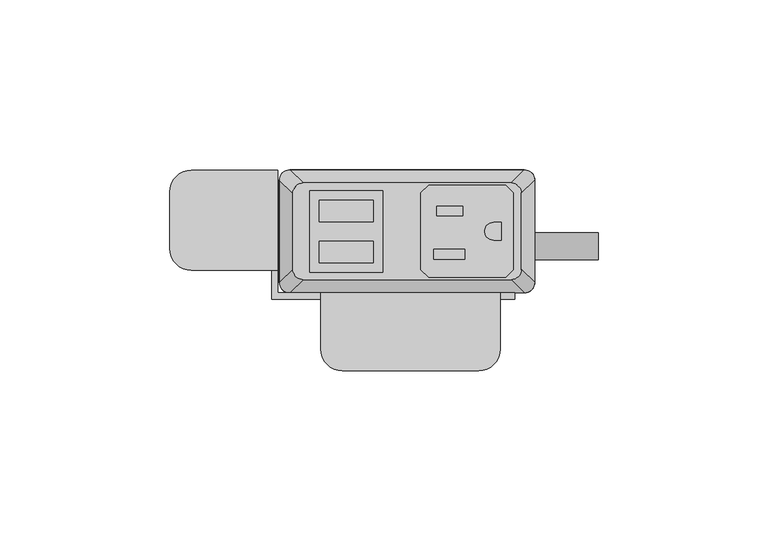
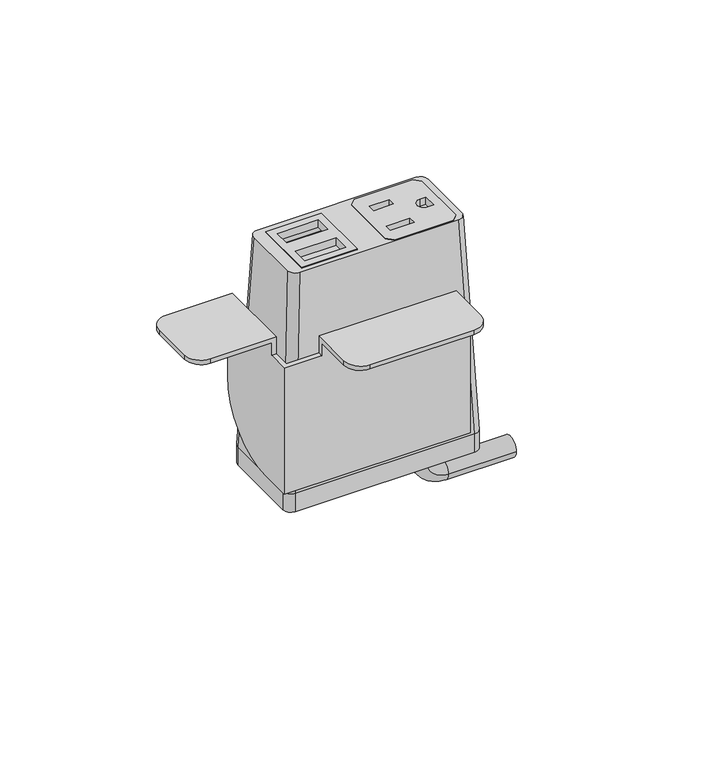
"""IFC4 building model written with IfcOpenShell, lengths in millimetres: furniture geometry."""

import ifcopenshell
import ifcopenshell.guid

model = None  # the IFC model being written
_history = None  # IfcOwnerHistory: only IFC2X3 demands one
_inside = {}  # id of a spatial element -> (the spatial element, [elements in it])
_under = {}  # id of a project, library or spatial element -> (it, [spatial elements below it])
_declared = {}  # id of a project -> (the project, [libraries it declares])
_typed = {}  # id of a type object -> (the type object, [elements of that type])
_made_of = {}  # id of a material, layer set ... -> (it, [elements and type objects made of it])


def new_model(schema):
    """Start an empty IFC model of exactly this schema.

    Asked for "IFC4X3", IfcOpenShell would pick the latest addendum, in which some entities
    have other attributes; the version numbers below select the first issue.
    IFC2X3 requires an IfcOwnerHistory on every rooted entity: one is made here for all.
    """
    global model, _history
    if schema == "IFC4X3":
        model = ifcopenshell.file(schema_version=(4, 3, 0, 0))
    else:
        model = ifcopenshell.file(schema=schema)
    _inside.clear()
    _under.clear()
    _declared.clear()
    _typed.clear()
    _made_of.clear()
    _history = None
    if model.schema == "IFC2X3":
        org = make("IfcOrganization", Name="unknown")
        user = make(
            "IfcPersonAndOrganization",
            ThePerson=make("IfcPerson", FamilyName="unknown"),
            TheOrganization=org,
        )
        app = make(
            "IfcApplication",
            ApplicationDeveloper=org,
            Version="unknown",
            ApplicationFullName="unknown",
            ApplicationIdentifier="unknown",
        )
        _history = make(
            "IfcOwnerHistory",
            OwningUser=user,
            OwningApplication=app,
            ChangeAction="ADDED",
            CreationDate=0,
        )
    return model


def make(cls, **values):
    """One entity of the class cls with the attributes given. An attribute that is None is left unset."""
    return model.create_entity(
        cls, **{name: value for name, value in values.items() if value is not None}
    )


def rooted(cls, **values):
    """An entity with a GlobalId (a new one), such as an element, a storey or a relation."""
    return make(cls, GlobalId=ifcopenshell.guid.new(), OwnerHistory=_history, **values)


def si_unit(unit_type, name, prefix=None):
    """IfcSIUnit, for example si_unit("LENGTHUNIT", "METRE", prefix="MILLI")."""
    return make("IfcSIUnit", UnitType=unit_type, Prefix=prefix, Name=name)


def assignment(units):
    """IfcUnitAssignment: the units of a project."""
    return None if units is None else make("IfcUnitAssignment", Units=units)


def point(xyz):
    """IfcCartesianPoint."""
    return None if xyz is None else make("IfcCartesianPoint", Coordinates=xyz)


def direction(xyz):
    """IfcDirection."""
    return None if xyz is None else make("IfcDirection", DirectionRatios=xyz)


def frame(location, z_axis=None, x_axis=None):
    """IfcAxis2Placement3D, a coordinate frame: its origin and axes. An axis left out is left unset."""
    return make(
        "IfcAxis2Placement3D",
        Location=point(location),
        Axis=direction(z_axis),
        RefDirection=direction(x_axis),
    )


def frame_2d(location, x_axis=None):
    """IfcAxis2Placement2D, a coordinate frame in the plane: its origin and x axis."""
    return make(
        "IfcAxis2Placement2D", Location=point(location), RefDirection=direction(x_axis)
    )


def origin():
    """The frame at (0, 0, 0) with its axes left unset."""
    return frame((0.0, 0.0, 0.0))


def place(relative_to, where):
    """IfcLocalPlacement: puts the frame where relative to a parent placement (None: the world)."""
    return make(
        "IfcLocalPlacement", PlacementRelTo=relative_to, RelativePlacement=where
    )


def context(
    kind, dimensions, precision=None, world=None, true_north=None, identifier=None
):
    """IfcGeometricRepresentationContext, for example the 3D "Model" context."""
    return make(
        "IfcGeometricRepresentationContext",
        ContextIdentifier=identifier,
        ContextType=kind,
        CoordinateSpaceDimension=dimensions,
        Precision=precision,
        WorldCoordinateSystem=world,
        TrueNorth=true_north,
    )


def project(units=None, contexts=None):
    """IfcProject with its units and contexts."""
    return rooted(
        "IfcProject",
        Name="project",
        RepresentationContexts=contexts,
        UnitsInContext=assignment(units),
    )


def spatial(cls, under=None, at=None, **own):
    """A site, building, storey or space (cls), placed at a placement, below another one or the project."""
    s = rooted(cls, ObjectPlacement=at, **own)
    if under is not None:
        _under.setdefault(under.id(), (under, []))[1].append(s)
    return s


def polyline(points):
    """IfcPolyline through the points."""
    return make("IfcPolyline", Points=[point(p) for p in points])


def circle_curve(where, radius):
    """IfcCircle in the frame where."""
    return make("IfcCircle", Position=where, Radius=radius)


def ellipse_curve(where, semi_axis1, semi_axis2):
    """IfcEllipse in the frame where."""
    return make(
        "IfcEllipse", Position=where, SemiAxis1=semi_axis1, SemiAxis2=semi_axis2
    )


def trimmed(basis, trim1, trim2, sense, master):
    """IfcTrimmedCurve: the piece of a basis curve between two trims."""
    return make(
        "IfcTrimmedCurve",
        BasisCurve=basis,
        Trim1=trim1,
        Trim2=trim2,
        SenseAgreement=sense,
        MasterRepresentation=master,
    )


def segment(curve, same_sense, transition):
    """IfcCompositeCurveSegment."""
    return make(
        "IfcCompositeCurveSegment",
        Transition=transition,
        SameSense=same_sense,
        ParentCurve=curve,
    )


def composite_curve(segments, self_intersect=None):
    """IfcCompositeCurve: segments joined end to end."""
    return make("IfcCompositeCurve", Segments=segments, SelfIntersect=self_intersect)


def outline(outer, holes=None, kind="AREA"):
    """IfcArbitraryClosedProfileDef: a profile drawn as a closed curve; with holes, ...WithVoids."""
    if holes is None:
        return make("IfcArbitraryClosedProfileDef", ProfileType=kind, OuterCurve=outer)
    return make(
        "IfcArbitraryProfileDefWithVoids",
        ProfileType=kind,
        OuterCurve=outer,
        InnerCurves=holes,
    )


def extrude(swept, where, along, depth):
    """IfcExtrudedAreaSolid: the profile swept, set in the frame where, extruded along a direction by depth."""
    return make(
        "IfcExtrudedAreaSolid",
        SweptArea=swept,
        Position=where,
        ExtrudedDirection=direction(along),
        Depth=depth,
    )


def shape(context_of_items, identifier, shape_type, items):
    """IfcShapeRepresentation: the items that make up one representation, for example the "Body"."""
    return make(
        "IfcShapeRepresentation",
        ContextOfItems=context_of_items,
        RepresentationIdentifier=identifier,
        RepresentationType=shape_type,
        Items=items,
    )


def source(mapping_origin, context_of_items, identifier, shape_type, items):
    """IfcRepresentationMap: a shape defined once, which mapped items show again and again."""
    return make(
        "IfcRepresentationMap",
        MappingOrigin=mapping_origin,
        MappedRepresentation=shape(context_of_items, identifier, shape_type, items),
    )


def transform(
    local_origin,
    x_axis=None,
    y_axis=None,
    z_axis=None,
    scale=None,
    scale2=None,
    scale3=None,
    uniform=True,
):
    """IfcCartesianTransformationOperator3D, or its non-uniform kind. x_axis, y_axis, z_axis: its Axis1, 2, 3."""
    if uniform:
        return make(
            "IfcCartesianTransformationOperator3D",
            Axis1=direction(x_axis),
            Axis2=direction(y_axis),
            LocalOrigin=point(local_origin),
            Scale=scale,
            Axis3=direction(z_axis),
        )
    return make(
        "IfcCartesianTransformationOperator3DnonUniform",
        Axis1=direction(x_axis),
        Axis2=direction(y_axis),
        LocalOrigin=point(local_origin),
        Scale=scale,
        Axis3=direction(z_axis),
        Scale2=scale2,
        Scale3=scale3,
    )


def mapped(mapping_source, mapping_target):
    """IfcMappedItem: shows the shape of a source again, moved by a transform."""
    return make(
        "IfcMappedItem", MappingSource=mapping_source, MappingTarget=mapping_target
    )


def made_of(thing, what):
    """Note that an element or type object is made of a material, layer set ...; save() writes the relation."""
    if what is not None:
        _made_of.setdefault(what.id(), (what, []))[1].append(thing)
    return thing


def element(
    cls,
    number,
    at=None,
    inside=None,
    cuts=None,
    type_object=None,
    material=None,
    context=None,
    identifier="Body",
    shape_type=None,
    held_by="IfcProductDefinitionShape",
    body=None,
    shapes=None,
    **own,
):
    """One element of the class cls, such as IfcWall. Its Tag is "e" and its number.

    at: its placement. inside: the storey or other place that contains it. cuts: it is an
    opening in that element (IfcRelVoidsElement). A single representation is given by context,
    identifier, shape_type and body (its items); several are given by shapes. held_by: the class
    of the entity that holds the representations. save() writes the other relations.
    """
    e = rooted(cls, Tag="e%d" % number, ObjectPlacement=at, **own)
    if body is not None:
        shapes = [shape(context, identifier, shape_type, body)]
    if shapes is not None:
        e.Representation = make(held_by, Representations=shapes)
    if inside is not None:
        _inside.setdefault(inside.id(), (inside, []))[1].append(e)
    if cuts is not None:
        rooted(
            "IfcRelVoidsElement", RelatingBuildingElement=cuts, RelatedOpeningElement=e
        )
    if type_object is not None:
        _typed.setdefault(type_object.id(), (type_object, []))[1].append(e)
    return made_of(e, material)


def aggregate(whole, parts):
    """IfcRelAggregates: a whole, such as a stair, and the parts it consists of."""
    return rooted("IfcRelAggregates", RelatingObject=whole, RelatedObjects=parts)


def save(model, path):
    """Write the relations noted so far, then the file.

    IfcRelAggregates (storeys below a building ...), IfcRelContainedInSpatialStructure (elements
    in a storey), IfcRelDefinesByType, IfcRelAssociatesMaterial and IfcRelDeclares: one each for
    every whole, place, type object, material and project.
    """
    for whole, parts in _under.values():
        aggregate(whole, parts)
    for where, things in _inside.values():
        rooted(
            "IfcRelContainedInSpatialStructure",
            RelatedElements=things,
            RelatingStructure=where,
        )
    for kind, things in _typed.values():
        rooted("IfcRelDefinesByType", RelatedObjects=things, RelatingType=kind)
    for what, things in _made_of.values():
        rooted("IfcRelAssociatesMaterial", RelatedObjects=things, RelatingMaterial=what)
    for by, libraries in _declared.values():
        rooted("IfcRelDeclares", RelatingContext=by, RelatedDefinitions=libraries)
    model.write(path)


def plane_surface(at):
    """IfcPlane: the flat surface through the origin of the frame at, square to its z axis."""
    return make("IfcPlane", Position=at)


def cylinder_surface(at, radius):
    """IfcCylindricalSurface: all points at the distance radius from the z axis of the frame at."""
    return make("IfcCylindricalSurface", Position=at, Radius=radius)


def revolved_surface(curve, axis_point, axis_direction):
    """IfcSurfaceOfRevolution: the curve turned about the line through axis_point along axis_direction."""
    return make(
        "IfcSurfaceOfRevolution",
        SweptCurve=make("IfcArbitraryOpenProfileDef", ProfileType="CURVE", Curve=curve),
        AxisPosition=make("IfcAxis1Placement", Location=point(axis_point), Axis=direction(axis_direction)),
    )


def extruded_surface(curve, direction_of_extrusion, depth):
    """IfcSurfaceOfLinearExtrusion: the curve pushed along a direction by depth."""
    return make(
        "IfcSurfaceOfLinearExtrusion",
        SweptCurve=make("IfcArbitraryOpenProfileDef", ProfileType="CURVE", Curve=curve),
        ExtrudedDirection=direction(direction_of_extrusion),
        Depth=depth,
    )


def advanced_brep(points, edges, surfaces, faces):
    """IfcAdvancedBrep: a solid bounded by faces that lie on surfaces and meet in shared edges.

    An edge is (start, end): straight between two places in points (the first is 0);
    or (start, end, curve); or (start, end, curve, False) where it runs against its curve.
    A face is (place in surfaces, loops), or (place, loops, False) where it looks against
    its surface's normal. A loop lists edges by number (the first is 1), with a minus sign
    where the edge is run from its end to its start. The first loop is the outer one.
    """
    corners = [point(p) for p in points]
    vertices = [make("IfcVertexPoint", VertexGeometry=c) for c in corners]
    made = []
    for start, end, *more in edges:
        made.append(
            make(
                "IfcEdgeCurve",
                EdgeStart=vertices[start],
                EdgeEnd=vertices[end],
                EdgeGeometry=more[0] if more else make("IfcPolyline", Points=[corners[start], corners[end]]),
                SameSense=more[1] if len(more) > 1 else True,
            )
        )
    hull = []
    for where, loops, *sense in faces:
        bounds = []
        for j, loop in enumerate(loops):
            ring = [make("IfcOrientedEdge", EdgeElement=made[abs(k) - 1], Orientation=k > 0) for k in loop]
            bounds.append(
                make(
                    "IfcFaceOuterBound" if j == 0 else "IfcFaceBound",
                    Bound=make("IfcEdgeLoop", EdgeList=ring),
                    Orientation=True,
                )
            )
        hull.append(make("IfcAdvancedFace", Bounds=bounds, FaceSurface=surfaces[where], SameSense=sense[0] if sense else True))
    return make("IfcAdvancedBrep", Outer=make("IfcClosedShell", CfsFaces=hull))


def furniture_fa9b37aa(model_context):
    return source(origin(), model_context, "Body", "SolidModel", [
        extrude(outline(polyline([(28.9877496, 31.6867491), (31.2737497, 29.400774), (31.2737497, 6.7950272), (28.9877496, 4.5090526), (6.3817502, 4.5090526), (4.0957501, 6.7950272), (4.0957501, 29.400774), (6.3817502, 31.6867491), (28.9877496, 31.6867491)]), holes=[polyline([(16.3893498, 25.5262103), (8.71855, 25.5262103), (8.71855, 22.6814439), (16.3893498, 22.6814439), (16.3893498, 25.5262103)]), polyline([(17.0497496, 12.7755533), (7.8041498, 12.7755533), (7.8041498, 9.9307858), (17.0497496, 9.9307858), (17.0497496, 12.7755533)]), composite_curve([segment(polyline([(27.7177508, 20.7140722), (25.4427305, 20.7140722)]), True, "CONTINUOUS"), segment(trimmed(circle_curve(frame_2d((25.4427305, 18.0979012)), 2.616171), [point((25.4427305, 20.7140722))], [point((25.4427305, 15.4817301))], True, "CARTESIAN"), True, "CONTINUOUS"), segment(polyline([(25.4427305, 15.4817301), (27.7177508, 15.4817301), (27.7177508, 20.7140722)]), True, "CONTINUOUS")], self_intersect=False)]), frame((0.0, 0.0, 721.8154765), z_axis=(0.0, 0.0, 1.0), x_axis=(1.0, 0.0, 0.0)), (0.0, 0.0, 1.0), 2.9555086),
        extrude(outline(polyline([(-28.6985163, 30.0736276), (-7.143469, 30.0736276), (-7.143469, 6.0162042), (-28.6985163, 6.0162042), (-28.6985163, 30.0736276)]), holes=[polyline([(-9.9834931, 27.2024139), (-25.8584916, 27.2025547), (-25.8584916, 20.8524858), (-9.9834931, 20.8524858), (-9.9834931, 27.2024139)]), polyline([(-9.9834931, 15.1725012), (-25.8584916, 15.1726408), (-25.8584916, 8.8225725), (-9.9834931, 8.8225725), (-9.9834931, 15.1725012)])]), frame((0.0, 0.0, 721.8154765), z_axis=(0.0, 0.0, 1.0), x_axis=(1.0, 0.0, 0.0)), (0.0, 0.0, 1.0), 2.9555086),
        advanced_brep(
        [(-30.6070003, 32.3219007, 724.7578023), (-33.6549997, 29.2739013, 724.7578023), (-33.6549997, 6.9219002, 724.7578023), (-30.6070003, 3.8739008, 724.7578023), (30.6070003, 3.8739008, 724.7578023), (33.6549997, 6.9219002, 724.7578023), (33.6549997, 29.2739013, 724.7578023), (30.6070003, 32.3219007, 724.7578023), (-7.143469, 30.0736276, 724.7578023), (-7.143469, 6.0162042, 724.7578023), (-28.6985163, 6.0162042, 724.7578023), (-28.6985163, 30.0736276, 724.7578023), (4.0957501, 29.400774, 724.7578023), (6.3817502, 31.6867491, 724.7578023), (28.9877496, 31.6867491, 724.7578023), (31.2737497, 29.400774, 724.7578023), (31.2737497, 6.7950272, 724.7578023), (28.9877496, 4.5090526, 724.7578023), (6.3817502, 4.5090526, 724.7578023), (4.0957501, 6.7950272, 724.7578023), (-34.5440011, 36.1954015, 638.4109834), (34.5440011, 36.1954015, 638.4109834), (37.5920005, 33.1474021, 638.4109834), (37.5920005, 3.0484002, 638.4109834), (34.5440011, 0.0004009, 638.4109834), (-34.5440011, 0.0004009, 638.4109834), (-37.5920005, 3.0484002, 638.4109834), (-37.5920005, 33.1474021, 638.4109834), (-7.143469, 30.0736276, 717.6158611), (-28.6985163, 30.0736276, 717.6158611), (-28.6985163, 6.0162042, 717.6158611), (-7.143469, 6.0162042, 717.6158611), (4.0957501, 29.400774, 717.6158611), (4.0957501, 6.7950272, 717.6158611), (6.3817502, 4.5090526, 717.6158611), (28.9877496, 4.5090526, 717.6158611), (31.2737497, 6.7950272, 717.6158611), (31.2737497, 29.400774, 717.6158611), (28.9877496, 31.6867491, 717.6158611), (6.3817502, 31.6867491, 717.6158611)],
        [
            (0, 1, circle_curve(frame((-30.6070003, 29.2739013, 724.7578023), z_axis=(0.0, 0.0, 1.0), x_axis=(-1.0, 0.0, 0.0)), 3.0479994)),
            (1, 2),
            (2, 3, circle_curve(frame((-30.6070003, 6.9219002, 724.7578023), z_axis=(0.0, 0.0, 1.0), x_axis=(-1.0, 0.0, 0.0)), 3.0479994)),
            (3, 4),
            (4, 5, circle_curve(frame((30.6070003, 6.9219002, 724.7578023), z_axis=(0.0, 0.0, 1.0), x_axis=(-1.0, 0.0, 0.0)), 3.0479994)),
            (5, 6),
            (6, 7, circle_curve(frame((30.6070003, 29.2739013, 724.7578023), z_axis=(0.0, 0.0, 1.0), x_axis=(-1.0, 0.0, 0.0)), 3.0479994)),
            (7, 0),
            (8, 9),
            (9, 10),
            (10, 11),
            (11, 8),
            (12, 13),
            (13, 14),
            (14, 15),
            (15, 16),
            (16, 17),
            (17, 18),
            (18, 19),
            (19, 12),
            (20, 21),
            (21, 22, circle_curve(frame((34.5440011, 33.1474021, 638.4109834), z_axis=(0.0, 0.0, -1.0), x_axis=(-1.0, 0.0, 0.0)), 3.0479994)),
            (22, 23),
            (23, 24, circle_curve(frame((34.5440011, 3.0484002, 638.4109834), z_axis=(0.0, 0.0, -1.0), x_axis=(-1.0, 0.0, 0.0)), 3.0479994)),
            (24, 25),
            (25, 26, circle_curve(frame((-34.5440011, 3.0484002, 638.4109834), z_axis=(0.0, 0.0, -1.0), x_axis=(-1.0, 0.0, 0.0)), 3.0479994)),
            (26, 27),
            (27, 20, circle_curve(frame((-34.5440011, 33.1474021, 638.4109834), z_axis=(0.0, 0.0, -1.0), x_axis=(-1.0, 0.0, 0.0)), 3.0479994)),
            (0, 20),
            (27, 1),
            (26, 2),
            (25, 3),
            (24, 4),
            (23, 5),
            (22, 6),
            (21, 7),
            (28, 29),
            (29, 30),
            (30, 31),
            (31, 28),
            (32, 33),
            (33, 34),
            (34, 35),
            (35, 36),
            (36, 37),
            (37, 38),
            (38, 39),
            (39, 32),
            (31, 9),
            (8, 28),
            (30, 10),
            (29, 11),
            (39, 13),
            (12, 32),
            (38, 14),
            (37, 15),
            (36, 16),
            (35, 17),
            (34, 18),
            (33, 19),
        ],
        [
            plane_surface(frame((0.0, 18.0979007, 724.7578023), z_axis=(0.0, 0.0, 1.0), x_axis=(-1.0, 0.0, 0.0))),
            plane_surface(frame((0.0, 18.0979012, 638.4109834), z_axis=(0.0, 0.0, -1.0), x_axis=(-1.0, 0.0, 0.0))),
            extruded_surface(trimmed(circle_curve(frame((-34.5440011, 33.1474021, 638.4109834), z_axis=(0.0, 0.0, 1.0), x_axis=(-1.0, 0.0, 0.0)), 3.0479994), [point((-34.5440011, 36.1954015, 638.4109834))], [point((-37.5920005, 33.1474021, 638.4109834))], True, "CARTESIAN"), (3.9370008000000034, -3.873500800000002, 86.34681890000002), 86.52327500676452),
            plane_surface(frame((-37.5920005, 18.0979012, 638.4109834), z_axis=(-0.9989621566211194, 0.0, 0.04554788292425982), x_axis=(0.0, -1.0, 0.0))),
            extruded_surface(trimmed(circle_curve(frame((-34.5440011, 3.0484002, 638.4109834), z_axis=(0.0, 0.0, 1.0), x_axis=(-1.0, 0.0, 0.0)), 3.0479994), [point((-37.5920005, 3.0484002, 638.4109834))], [point((-34.5440011, 0.0004009, 638.4109834))], True, "CARTESIAN"), (3.9370008000000034, 3.8734999999999995, 86.34681890000002), 86.52327497094987),
            plane_surface(frame((0.0, 0.0004009, 638.4109834), z_axis=(0.0, -0.9989953158490498, 0.044814717578687276), x_axis=(1.0, 0.0, 0.0))),
            extruded_surface(trimmed(circle_curve(frame((34.5440011, 3.0484002, 638.4109834), z_axis=(0.0, 0.0, 1.0), x_axis=(-1.0, 0.0, 0.0)), 3.0479994), [point((34.5440011, 0.0004009, 638.4109834))], [point((37.5920005, 3.0484002, 638.4109834))], True, "CARTESIAN"), (-3.9370008000000034, 3.8734999999999995, 86.34681890000002), 86.52327497094987),
            plane_surface(frame((37.5920005, 18.0979012, 638.4109834), z_axis=(0.9989621566211194, 0.0, 0.04554788292425977), x_axis=(0.0, 1.0, 0.0))),
            extruded_surface(trimmed(circle_curve(frame((34.5440011, 33.1474021, 638.4109834), z_axis=(0.0, 0.0, 1.0), x_axis=(-1.0, 0.0, 0.0)), 3.0479994), [point((37.5920005, 33.1474021, 638.4109834))], [point((34.5440011, 36.1954015, 638.4109834))], True, "CARTESIAN"), (-3.9370008000000034, -3.873500800000002, 86.34681890000002), 86.52327500676452),
            plane_surface(frame((0.0, 36.1954015, 638.4109834), z_axis=(0.0, 0.9989953153818162, 0.04481472799410512), x_axis=(-1.0, 0.0, 0.0))),
            plane_surface(frame((-7.143469, 30.0736276, 717.6158611), z_axis=(0.0, 0.0, 1.0), x_axis=(0.0, -1.0, 0.0))),
            plane_surface(frame((-7.143469, 30.0736276, 717.6158611), z_axis=(-1.0, 0.0, 0.0), x_axis=(0.0, 0.0, 1.0))),
            plane_surface(frame((-7.143469, 6.0162042, 717.6158611), z_axis=(0.0, 1.0, 0.0), x_axis=(0.0, 0.0, 1.0))),
            plane_surface(frame((-28.6985163, 6.0162042, 717.6158611), z_axis=(1.0, 0.0, 0.0), x_axis=(0.0, 0.0, 1.0))),
            plane_surface(frame((-28.6985163, 30.0736276, 717.6158611), z_axis=(0.0, -1.0, 0.0), x_axis=(0.0, 0.0, 1.0))),
            plane_surface(frame((4.0957501, 29.400774, 717.6158611), z_axis=(0.7071029176939239, -0.707110644658062, 0.0), x_axis=(0.0, 0.0, 1.0))),
            plane_surface(frame((6.3817502, 31.6867491, 717.6158611), z_axis=(0.0, -1.0, 0.0), x_axis=(0.0, 0.0, 1.0))),
            plane_surface(frame((28.9877496, 31.6867491, 717.6158611), z_axis=(-0.7071029176939239, -0.707110644658062, 0.0), x_axis=(0.0, 0.0, 1.0))),
            plane_surface(frame((31.2737497, 29.400774, 717.6158611), z_axis=(-1.0, 0.0, 0.0), x_axis=(0.0, 0.0, 1.0))),
            plane_surface(frame((31.2737497, 6.7950272, 717.6158611), z_axis=(-0.7071028298865373, 0.7071107324644781, 0.0), x_axis=(0.0, 0.0, 1.0))),
            plane_surface(frame((28.9877496, 4.5090526, 717.6158611), z_axis=(0.0, 1.0, 0.0), x_axis=(0.0, 0.0, 1.0))),
            plane_surface(frame((6.3817502, 4.5090526, 717.6158611), z_axis=(0.7071028298865373, 0.7071107324644781, 0.0), x_axis=(0.0, 0.0, 1.0))),
            plane_surface(frame((4.0957501, 6.7950272, 717.6158611), z_axis=(1.0, 0.0, 0.0), x_axis=(0.0, 0.0, 1.0))),
        ],
        [
            (0, [[1, 2, 3, 4, 5, 6, 7, 8], [9, 10, 11, 12], [13, 14, 15, 16, 17, 18, 19, 20]]),
            (1, [[21, 22, 23, 24, 25, 26, 27, 28]]),
            (2, [[-1, 29, -28, 30]]),
            (3, [[-2, -30, -27, 31]]),
            (4, [[-3, -31, -26, 32]]),
            (5, [[-4, -32, -25, 33]]),
            (6, [[-5, -33, -24, 34]]),
            (7, [[-6, -34, -23, 35]]),
            (8, [[-7, -35, -22, 36]]),
            (9, [[-8, -36, -21, -29]]),
            (10, [[37, 38, 39, 40]]),
            (10, [[41, 42, 43, 44, 45, 46, 47, 48]]),
            (11, [[-40, 49, -9, 50]]),
            (12, [[-39, 51, -10, -49]]),
            (13, [[-38, 52, -11, -51]]),
            (14, [[-37, -50, -12, -52]]),
            (15, [[-48, 53, -13, 54]]),
            (16, [[-47, 55, -14, -53]]),
            (17, [[-46, 56, -15, -55]]),
            (18, [[-45, 57, -16, -56]]),
            (19, [[-44, 58, -17, -57]]),
            (20, [[-43, 59, -18, -58]]),
            (21, [[-42, 60, -19, -59]]),
            (22, [[-41, -54, -20, -60]]),
        ],
    ),
        advanced_brep(
        [(21.5715504, 17.7128311, 630.9367748), (21.5715504, 9.7137856, 630.9367748), (21.5715504, 17.7128311, 626.1070221), (21.5715504, 9.7137856, 626.1070221), (30.0384415, 9.7137856, 617.640131), (30.0384415, 17.7128311, 617.640131), (56.2588798, 17.7128311, 617.640131), (56.2588798, 9.7137856, 617.640131)],
        [
            (0, 1, circle_curve(frame((21.5715504, 13.7133083, 630.9367748), z_axis=(0.0, 0.0, 1.0), x_axis=(0.0, -1.0, 0.0)), 3.9995228)),
            (1, 0, circle_curve(frame((21.5715504, 13.7133083, 630.9367748), z_axis=(0.0, 0.0, 1.0), x_axis=(0.0, -1.0, 0.0)), 3.9995228)),
            (0, 2),
            (2, 3, circle_curve(frame((21.5715504, 13.7133083, 626.1070221), z_axis=(0.0, 0.0, 1.0), x_axis=(0.0, -1.0, 0.0)), 3.9995228)),
            (3, 1),
            (3, 2, circle_curve(frame((21.5715504, 13.7133083, 626.1070221), z_axis=(0.0, 0.0, 1.0), x_axis=(0.0, -1.0, 0.0)), 3.9995228)),
            (4, 3, circle_curve(frame((30.0384415, 9.7137856, 626.1070221), z_axis=(0.0, 1.0, 0.0), x_axis=(-1.0, 0.0, 0.0)), 8.4668911)),
            (2, 5, circle_curve(frame((30.0384415, 17.7128311, 626.1070221), z_axis=(0.0, -1.0, 0.0), x_axis=(-1.0, 0.0, 0.0)), 8.4668911)),
            (5, 4, circle_curve(frame((30.0384415, 13.7133083, 617.640131), z_axis=(-1.0, 0.0, 0.0), x_axis=(0.0, -1.0, 0.0)), 3.9995228)),
            (4, 5, circle_curve(frame((30.0384415, 13.7133083, 617.640131), z_axis=(-1.0, 0.0, 0.0), x_axis=(0.0, -1.0, 0.0)), 3.9995228)),
            (6, 7, circle_curve(frame((56.2588798, 13.7133083, 617.640131), z_axis=(1.0, 0.0, 0.0), x_axis=(0.0, -1.0, 0.0)), 3.9995228)),
            (7, 6, circle_curve(frame((56.2588798, 13.7133083, 617.640131), z_axis=(1.0, 0.0, 0.0), x_axis=(0.0, -1.0, 0.0)), 3.9995228)),
            (5, 6),
            (7, 4),
        ],
        [
            plane_surface(frame((21.5715504, 0.0, 630.9367748), z_axis=(0.0, 0.0, 1.0), x_axis=(0.0, -1.0, 0.0))),
            cylinder_surface(frame((21.5715504, 13.7133083, 630.9367748), z_axis=(0.0, 0.0, 1.0), x_axis=(0.0, -1.0, 0.0)), 3.9995228),
            revolved_surface(trimmed(ellipse_curve(frame((21.5715504, 13.7133083, 626.1070221), z_axis=(0.0, 0.0, 1.0), x_axis=(0.0, -1.0, 0.0)), 3.9995228, 3.9995228), [point((21.5715504, 17.7128311, 626.1070221))], [point((21.5715504, 9.7137856, 626.1070221))], True, "CARTESIAN"), (30.0384415, 0.0, 626.1070221), (0.0, -1.0, 0.0)),
            revolved_surface(trimmed(ellipse_curve(frame((21.5715504, 13.7133083, 626.1070221), z_axis=(0.0, 0.0, 1.0), x_axis=(0.0, -1.0, 0.0)), 3.9995228, 3.9995228), [point((21.5715504, 9.7137856, 626.1070221))], [point((21.5715504, 17.7128311, 626.1070221))], True, "CARTESIAN"), (30.0384415, 0.0, 626.1070221), (0.0, -1.0, 0.0)),
            plane_surface(frame((56.2588798, 0.0, 617.640131), z_axis=(1.0, 0.0, 0.0), x_axis=(0.0, -1.0, 0.0))),
            cylinder_surface(frame((30.0384415, 13.7133083, 617.640131), z_axis=(-1.0, 0.0, 0.0), x_axis=(0.0, -1.0, 0.0)), 3.9995228),
        ],
        [
            (0, [[1, 2]]),
            (1, [[-1, 3, 4, 5]]),
            (1, [[-2, -5, 6, -3]]),
            (2, [[7, -4, 8, 9]]),
            (3, [[-8, -6, -7, 10]]),
            (4, [[11, 12]]),
            (5, [[-9, 13, -12, 14]]),
            (5, [[-10, -14, -11, -13]]),
        ],
    ),
        extrude(outline(composite_curve([segment(trimmed(circle_curve(frame_2d((34.5440011, 33.1474021)), 3.0479994), [point((34.5440011, 36.1954015))], [point((37.5920005, 33.1474021))], False, "CARTESIAN"), True, "CONTINUOUS"), segment(polyline([(37.5920005, 33.1474021), (37.5920005, 3.0484002)]), True, "CONTINUOUS"), segment(trimmed(circle_curve(frame_2d((34.5440011, 3.0484002)), 3.0479994), [point((37.5920005, 3.0484002))], [point((34.5440011, 0.0004009))], False, "CARTESIAN"), True, "CONTINUOUS"), segment(polyline([(34.5440011, 0.0004009), (-34.5440011, 0.0004009)]), True, "CONTINUOUS"), segment(trimmed(circle_curve(frame_2d((-34.5440011, 3.0484002)), 3.0479994), [point((-34.5440011, 0.0004009))], [point((-37.5920005, 3.0484002))], False, "CARTESIAN"), True, "CONTINUOUS"), segment(polyline([(-37.5920005, 3.0484002), (-37.5920005, 33.1474021)]), True, "CONTINUOUS"), segment(trimmed(circle_curve(frame_2d((-34.5440011, 33.1474021)), 3.0479994), [point((-37.5920005, 33.1474021))], [point((-34.5440011, 36.1954015))], False, "CARTESIAN"), True, "CONTINUOUS"), segment(polyline([(-34.5440011, 36.1954015), (34.5440011, 36.1954015)]), True, "CONTINUOUS")], self_intersect=False)), frame((0.0, 0.0, 630.9367748), z_axis=(0.0, 0.0, 1.0), x_axis=(1.0, 0.0, 0.0)), (0.0, 0.0, 1.0), 7.4742086),
        advanced_brep(
        [(-63.4998651, 6.6265515, 697.56274), (-69.8498653, 12.9765517, 697.56274), (-69.8498653, 29.7151512, 697.56274), (-63.4998645, 36.0651519, 697.56274), (-39.877862, 36.0651519, 697.56274), (-39.877862, 6.6265515, 697.56274), (27.4321373, -16.6144474, 697.56274), (21.0821366, -22.9644481, 697.56274), (-19.0498626, -22.9644481, 697.56274), (-25.3998622, -16.6144485, 697.56274), (-25.3998622, -1.9078486, 697.56274), (27.4321373, -1.9078486, 697.56274), (-63.4998645, 36.0651519, 699.34074), (-69.8498653, 29.7151512, 699.34074), (-69.8498653, 12.9765517, 699.34074), (-63.4998651, 6.6265515, 699.34074), (-38.0998637, 6.6265515, 699.34074), (-38.0998637, 36.0651519, 699.34074), (-25.3998622, 0.0, 699.34074), (-25.3998622, -16.6144485, 699.34074), (-19.0498626, -22.9644481, 699.34074), (21.0821366, -22.9644481, 699.34074), (27.4321373, -16.6144474, 699.34074), (27.4321373, 0.0, 699.34074), (-38.0998637, 36.0651519, 666.3207397), (-39.877862, 36.0651519, 666.3207397), (-39.877862, 6.6265515, 692.4827397), (-38.0998637, 6.6265515, 692.4827397), (-38.0998637, 0.0, 692.4827397), (-38.0998637, 0.0, 640.9207412), (-38.0998637, 10.6651534, 640.9207412), (27.4321373, -1.9078486, 692.4827397), (27.4321373, 0.0, 692.4827397), (31.7501378, 0.0, 692.4827397), (31.7501378, 0.0, 640.9207412), (-25.3998622, 0.0, 692.4827397), (-25.3998622, -1.9078486, 692.4827397), (-39.877862, 10.6651534, 640.9207412), (-39.877862, -1.9078486, 640.9207412), (-39.877862, -1.9078486, 692.4827397), (31.7501378, -1.9078486, 640.9207412), (31.7501378, -1.9078486, 692.4827397)],
        [
            (0, 1, circle_curve(frame((-63.4998651, 12.9765517, 697.56274), z_axis=(0.0, 0.0, -1.0), x_axis=(-1.0, 0.0, 0.0)), 6.3500002)),
            (1, 2),
            (2, 3, circle_curve(frame((-63.4998645, 29.7151512, 697.56274), z_axis=(0.0, 0.0, -1.0), x_axis=(-1.0, 0.0, 0.0)), 6.3500008)),
            (3, 4),
            (4, 5),
            (5, 0),
            (6, 7, circle_curve(frame((21.0821366, -16.6144474, 697.56274), z_axis=(0.0, 0.0, -1.0), x_axis=(-1.0, 0.0, 0.0)), 6.3500008)),
            (7, 8),
            (8, 9, circle_curve(frame((-19.0498626, -16.6144485, 697.56274), z_axis=(0.0, 0.0, -1.0), x_axis=(-1.0, 0.0, 0.0)), 6.3499996)),
            (9, 10),
            (10, 11),
            (11, 6),
            (12, 13, circle_curve(frame((-63.4998645, 29.7151512, 699.34074), z_axis=(0.0, 0.0, 1.0), x_axis=(-1.0, 0.0, 0.0)), 6.3500008)),
            (13, 14),
            (14, 15, circle_curve(frame((-63.4998651, 12.9765517, 699.34074), z_axis=(0.0, 0.0, 1.0), x_axis=(-1.0, 0.0, 0.0)), 6.3500002)),
            (15, 16),
            (16, 17),
            (17, 12),
            (18, 19),
            (19, 20, circle_curve(frame((-19.0498626, -16.6144485, 699.34074), z_axis=(0.0, 0.0, 1.0), x_axis=(-1.0, 0.0, 0.0)), 6.3499996)),
            (20, 21),
            (21, 22, circle_curve(frame((21.0821366, -16.6144474, 699.34074), z_axis=(0.0, 0.0, 1.0), x_axis=(-1.0, 0.0, 0.0)), 6.3500008)),
            (22, 23),
            (23, 18),
            (3, 12),
            (17, 24),
            (24, 25),
            (25, 4),
            (2, 13),
            (1, 14),
            (0, 15),
            (5, 26),
            (26, 27),
            (27, 16),
            (27, 28),
            (28, 29),
            (29, 30),
            (30, 24, circle_curve(frame((-38.0998637, 10.6651534, 666.3207397), z_axis=(1.0, 0.0, 0.0), x_axis=(0.0, -1.0, 0.0)), 25.3999985)),
            (8, 20),
            (19, 9),
            (7, 21),
            (6, 22),
            (11, 31),
            (31, 32),
            (32, 23),
            (32, 33),
            (33, 34),
            (34, 29),
            (28, 35),
            (35, 18),
            (35, 36),
            (36, 10),
            (25, 37, circle_curve(frame((-39.877862, 10.6651534, 666.3207397), z_axis=(-1.0, 0.0, 0.0), x_axis=(0.0, -1.0, 0.0)), 25.3999985)),
            (37, 38),
            (38, 39),
            (39, 26),
            (30, 37),
            (34, 40),
            (40, 38),
            (40, 41),
            (41, 31),
            (36, 39),
            (41, 33),
        ],
        [
            plane_surface(frame((-63.4998645, 36.0651519, 697.56274), z_axis=(0.0, 0.0, -1.0), x_axis=(1.0, 0.0, 0.0))),
            plane_surface(frame((-63.4998645, 36.0651519, 699.34074), z_axis=(0.0, 0.0, 1.0), x_axis=(-1.0, 0.0, 0.0))),
            plane_surface(frame((-38.0998637, 36.0651519, 699.34074), z_axis=(0.0, 1.0, 0.0), x_axis=(0.0, 0.0, -1.0))),
            cylinder_surface(frame((-63.4998645, 29.7151512, 697.56274), z_axis=(0.0, 0.0, 1.0), x_axis=(-1.0, 0.0, 0.0)), 6.3500008),
            plane_surface(frame((-69.8498653, 29.7151512, 699.34074), z_axis=(-1.0, 0.0, 0.0), x_axis=(0.0, 0.0, -1.0))),
            cylinder_surface(frame((-63.4998651, 12.9765517, 697.56274), z_axis=(0.0, 0.0, 1.0), x_axis=(-1.0, 0.0, 0.0)), 6.3500002),
            plane_surface(frame((-63.4998651, 6.6265515, 699.34074), z_axis=(0.0, -1.0, 0.0), x_axis=(0.0, 0.0, -1.0))),
            plane_surface(frame((-38.0998637, 6.6265515, 699.34074), z_axis=(1.0, 0.0, 0.0), x_axis=(0.0, 0.0, -1.0))),
            cylinder_surface(frame((-19.0498626, -16.6144485, 699.34074), z_axis=(0.0, 0.0, 1.0), x_axis=(-1.0, 0.0, 0.0)), 6.3499996),
            plane_surface(frame((-19.0498626, -22.9644481, 699.34074), z_axis=(0.0, -1.0, 0.0), x_axis=(0.0, 0.0, -1.0))),
            cylinder_surface(frame((21.0821366, -16.6144474, 699.34074), z_axis=(0.0, 0.0, 1.0), x_axis=(-1.0, 0.0, 0.0)), 6.3500008),
            plane_surface(frame((27.4321373, -16.6144474, 699.34074), z_axis=(1.0, 0.0, 0.0), x_axis=(0.0, 0.0, -1.0))),
            plane_surface(frame((27.4321373, 0.0, 699.34074), z_axis=(0.0, 1.0, 0.0), x_axis=(0.0, 0.0, -1.0))),
            plane_surface(frame((-25.3998622, 0.0, 699.34074), z_axis=(-1.0, 0.0, 0.0), x_axis=(0.0, 0.0, -1.0))),
            plane_surface(frame((-39.877862, 36.0651519, 666.3207397), z_axis=(-1.0, 0.0, 0.0), x_axis=(0.0, 0.0, -1.0))),
            cylinder_surface(frame((-38.0998637, 10.6651534, 666.3207397), z_axis=(-1.0, 0.0, 0.0), x_axis=(0.0, -1.0, 0.0)), 25.3999985),
            plane_surface(frame((-39.877862, 10.6651534, 640.9207412), z_axis=(0.0, 0.0, -1.0), x_axis=(1.0, 0.0, 0.0))),
            plane_surface(frame((-39.877862, -1.9078486, 640.9207412), z_axis=(0.0, -1.0, 0.0), x_axis=(1.0, 0.0, 0.0))),
            plane_surface(frame((-39.877862, -1.9078486, 692.4827397), z_axis=(0.0, 0.0, 1.0), x_axis=(1.0, 0.0, 0.0))),
            plane_surface(frame((31.7501378, -1.9078486, 692.4827397), z_axis=(0.0, 0.0, 1.0), x_axis=(0.0, 1.0, 0.0))),
            plane_surface(frame((31.7501378, -1.9078486, 640.9207412), z_axis=(1.0, 0.0, 0.0), x_axis=(0.0, 1.0, 0.0))),
        ],
        [
            (0, [[1, 2, 3, 4, 5, 6]]),
            (0, [[7, 8, 9, 10, 11, 12]]),
            (1, [[13, 14, 15, 16, 17, 18]]),
            (1, [[19, 20, 21, 22, 23, 24]]),
            (2, [[25, -18, 26, 27, 28, -4]]),
            (3, [[-3, 29, -13, -25]]),
            (4, [[-2, 30, -14, -29]]),
            (5, [[-1, 31, -15, -30]]),
            (6, [[-31, -6, 32, 33, 34, -16]]),
            (7, [[-17, -34, 35, 36, 37, 38, -26]]),
            (8, [[-9, 39, -20, 40]]),
            (9, [[-8, 41, -21, -39]]),
            (10, [[-7, 42, -22, -41]]),
            (11, [[-42, -12, 43, 44, 45, -23]]),
            (12, [[-24, -45, 46, 47, 48, -36, 49, 50]]),
            (13, [[-40, -19, -50, 51, 52, -10]]),
            (14, [[53, 54, 55, 56, -32, -5, -28]]),
            (15, [[-53, -27, -38, 57]]),
            (16, [[-57, -37, -48, 58, 59, -54]]),
            (17, [[-55, -59, 60, 61, -43, -11, -52, 62]]),
            (18, [[-62, -51, -49, -35, -33, -56]]),
            (19, [[-61, 63, -46, -44]]),
            (20, [[-60, -58, -47, -63]]),
        ],
    ),
    ])


if __name__ == "__main__":
    model = new_model("IFC4")
    model_context = context("Model", 3, world=origin())
    ifc_project = project(units=[si_unit("LENGTHUNIT", "METRE", prefix="MILLI")], contexts=[model_context])
    site = spatial("IfcSite", under=ifc_project)
    building = spatial("IfcBuilding", under=site)
    placement = place(None, origin())
    furniture_shape = furniture_fa9b37aa(model_context)
    element("IfcFurniture", 1, at=placement, inside=building, context=model_context, shape_type="MappedRepresentation", body=[
        mapped(furniture_shape, transform((0.0, 0.0, 0.0), x_axis=(1.0, 0.0, 0.0), y_axis=(0.0, 1.0, 0.0), z_axis=(0.0, 0.0, 1.0))),
    ])
    save(model, "model.ifc")
